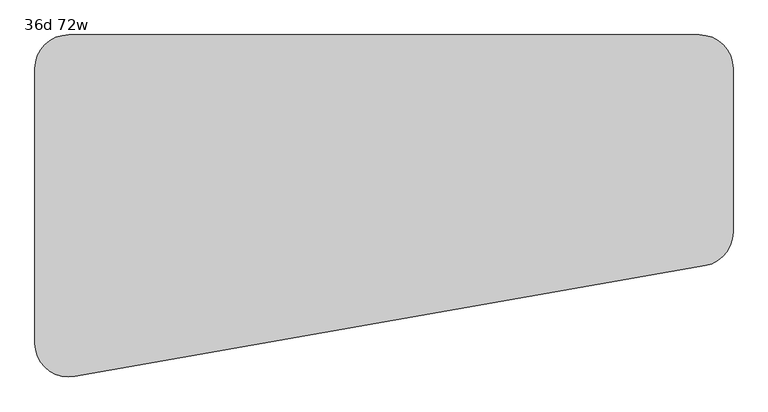
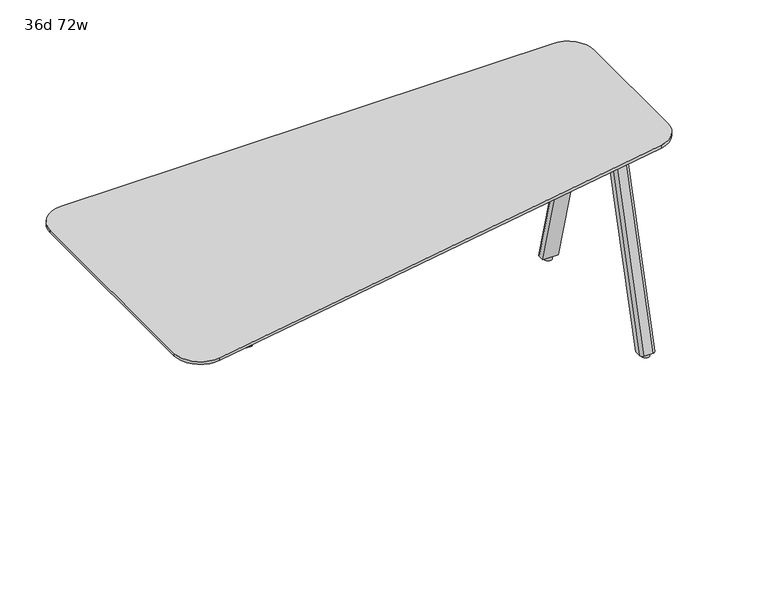
"""IFC4 building model written with IfcOpenShell, lengths in millimetres: furniture geometry, 36d 72w."""

from ifc_helpers import new_model, si_unit, point, frame, frame_2d, origin, origin_with_axes, place, context, project, spatial, polyline, circle_curve, trimmed, segment, composite_curve, outline, extrude, source, transform, mapped, element, save
from ifc_brep_helpers import plane_surface, cylinder_surface, revolved_surface, extruded_surface, advanced_brep


def furniture_36d_72w_5db79cfe(model_context):
    return source(origin(), model_context, "Body", "SolidModel", [
        extrude(outline(composite_curve([segment(trimmed(circle_curve(frame_2d((708.2866241, -141.9174267)), 2.9133759), [point((711.2, -141.9174267))], [point((708.2866241, -144.8308027))], False, "CARTESIAN"), True, "CONTINUOUS"), segment(polyline([(708.2866241, -144.8308027), (549.0057593, -144.8308027)]), True, "CONTINUOUS"), segment(trimmed(circle_curve(frame_2d((549.0057593, -141.9174222)), 2.9133805), [point((549.0057593, -144.8308027))], [point((546.0923788, -141.9174222))], False, "CARTESIAN"), True, "CONTINUOUS"), segment(polyline([(546.0923788, -141.9174222), (546.0923788, -93.388185)]), True, "CONTINUOUS"), segment(trimmed(circle_curve(frame_2d((545.0763787, -93.388185)), 1.0160002), [point((546.0923788, -93.388185))], [point((545.0763787, -92.3721849))], True, "CARTESIAN"), True, "CONTINUOUS"), segment(polyline([(545.0763787, -92.3721849), (516.6283794, -92.3721849)]), True, "CONTINUOUS"), segment(trimmed(circle_curve(frame_2d((516.6283797, -93.388185)), 1.0160002), [point((516.6283794, -92.3721849))], [point((515.6123795, -93.388185))], True, "CARTESIAN"), True, "CONTINUOUS"), segment(polyline([(515.6123795, -93.388185), (515.6123792, -122.2248049), (513.7149992, -122.2248049), (513.7149992, -93.388185)]), True, "CONTINUOUS"), segment(trimmed(circle_curve(frame_2d((516.6283797, -93.388185)), 2.9133805), [point((513.7149992, -93.388185))], [point((516.6283797, -90.4748045))], False, "CARTESIAN"), True, "CONTINUOUS"), segment(polyline([(516.6283797, -90.4748045), (545.0763798, -90.4748045)]), True, "CONTINUOUS"), segment(trimmed(circle_curve(frame_2d((545.0763798, -93.388185)), 2.9133805), [point((545.0763798, -90.4748045))], [point((547.9897603, -93.388185))], False, "CARTESIAN"), True, "CONTINUOUS"), segment(polyline([(547.9897603, -93.388185), (547.9897603, -141.9174267)]), True, "CONTINUOUS"), segment(trimmed(circle_curve(frame_2d((549.0057593, -141.9174267)), 1.015999), [point((547.9897603, -141.9174267))], [point((549.0057593, -142.9334257))], True, "CARTESIAN"), True, "CONTINUOUS"), segment(polyline([(549.0057593, -142.9334257), (708.2866241, -142.9334257)]), True, "CONTINUOUS"), segment(trimmed(circle_curve(frame_2d((708.2866241, -141.9174267)), 1.015999), [point((708.2866241, -142.9334257))], [point((709.3026231, -141.9174267))], True, "CARTESIAN"), True, "CONTINUOUS"), segment(polyline([(709.3026231, -141.9174267), (709.3026231, -65.0748), (711.2, -65.0748), (711.2, -141.9174267)]), True, "CONTINUOUS")], self_intersect=False)), frame((0.0, -314.0610932, 0.0), z_axis=(0.0, 1.0, 0.0), x_axis=(0.0, 0.0, 1.0)), (0.0, 0.0, 1.0), 304.8),
        extrude(outline(composite_curve([segment(polyline([(-319.0748, -314.9678875), (-319.0748, -8.3390657)]), True, "CONTINUOUS"), segment(trimmed(circle_curve(frame_2d((-317.1698109, -8.3390657)), 1.9049891), [point((-319.0748, -8.3390657))], [point((-317.1698109, -6.4340766))], False, "CARTESIAN"), True, "CONTINUOUS"), segment(polyline([(-317.1698109, -6.4340766), (-144.0434052, -6.4340766), (-144.0434052, -316.8728766), (-317.1698109, -316.8728766)]), True, "CONTINUOUS"), segment(trimmed(circle_curve(frame_2d((-317.1698109, -314.9678875)), 1.9049891), [point((-317.1698109, -316.8728766))], [point((-319.0748, -314.9678875))], False, "CARTESIAN"), True, "CONTINUOUS")], self_intersect=False)), frame((0.0, 0.0, 547.0829797), z_axis=(0.0, 0.0, 1.0), x_axis=(1.0, 0.0, 0.0)), (0.0, 0.0, 1.0), 164.1170203),
        extrude(outline(composite_curve([segment(polyline([(1264.8565, 9.7535641), (1156.9065004, 9.7535641)]), True, "CONTINUOUS"), segment(trimmed(circle_curve(frame_2d((1156.9065004, 19.2785641)), 9.525), [point((1156.9065004, 9.7535641))], [point((1147.3815004, 19.2785641))], False, "CARTESIAN"), True, "CONTINUOUS"), segment(polyline([(1147.3815004, 19.2785641), (1147.3815004, 101.9519335)]), True, "CONTINUOUS"), segment(trimmed(circle_curve(frame_2d((1156.9065004, 101.9519335)), 9.525), [point((1147.3815004, 101.9519335))], [point((1156.9065004, 111.4769335))], False, "CARTESIAN"), True, "CONTINUOUS"), segment(polyline([(1156.9065004, 111.4769335), (1264.8565, 111.4769335)]), True, "CONTINUOUS"), segment(trimmed(circle_curve(frame_2d((1264.8565, 101.9519335)), 9.525), [point((1264.8565, 111.4769335))], [point((1274.3815, 101.9519335))], False, "CARTESIAN"), True, "CONTINUOUS"), segment(polyline([(1274.3815, 101.9519335), (1274.3815, 19.2785641)]), True, "CONTINUOUS"), segment(trimmed(circle_curve(frame_2d((1264.8565, 19.2785641)), 9.525), [point((1274.3815, 19.2785641))], [point((1264.8565, 9.7535641))], False, "CARTESIAN"), True, "CONTINUOUS")], self_intersect=False)), frame((0.0, 0.0, 705.2055742), z_axis=(0.0, 0.0, 1.0), x_axis=(1.0, 0.0, 0.0)), (0.0, 0.0, 1.0), 5.9944258),
        advanced_brep(
        [(1258.8875, 104.2527734, 705.2055742), (1227.1375, 104.2527734, 705.2055742), (1217.6125, 94.7277734, 705.2055742), (1217.6125, 74.0902734, 705.2055742), (1268.4125, 74.0902734, 705.2055742), (1268.4125, 94.7277734, 705.2055742), (1258.8875, 290.7410641, 12.7), (1268.4125, 281.2160641, 12.7), (1268.4125, 260.5785641, 12.7), (1217.6125, 260.5785641, 12.7), (1217.6125, 281.2160641, 12.7), (1227.1375, 290.7410641, 12.7)],
        [
            (0, 1),
            (1, 2, circle_curve(frame((1227.1375, 94.7277734, 705.2055742), z_axis=(0.0, 0.0, 1.0), x_axis=(1.0, 0.0, 0.0)), 9.525)),
            (2, 3),
            (3, 4),
            (4, 5),
            (5, 0, circle_curve(frame((1258.8875, 94.7277734, 705.2055742), z_axis=(0.0, 0.0, 1.0), x_axis=(1.0, 0.0, 0.0)), 9.525)),
            (6, 7, circle_curve(frame((1258.8875, 281.2160641, 12.7), z_axis=(0.0, 0.0, -1.0), x_axis=(1.0, 0.0, 0.0)), 9.525)),
            (7, 8),
            (8, 9),
            (9, 10),
            (10, 11, circle_curve(frame((1227.1375, 281.2160641, 12.7), z_axis=(0.0, 0.0, -1.0), x_axis=(1.0, 0.0, 0.0)), 9.525)),
            (11, 6),
            (6, 0),
            (5, 7),
            (4, 8),
            (3, 9),
            (2, 10),
            (1, 11),
        ],
        [
            plane_surface(frame((1243.0125, 91.0236068, 705.2055742), z_axis=(0.0, 0.0, 1.0), x_axis=(-1.0, 0.0, 0.0))),
            plane_surface(frame((1243.0125, 277.5118975, 12.7), z_axis=(0.0, 0.0, -1.0), x_axis=(-1.0, 0.0, 0.0))),
            extruded_surface(trimmed(circle_curve(frame((1258.8875, 94.7277734, 705.2055742), z_axis=(0.0, 0.0, -1.0), x_axis=(1.0, 0.0, 0.0)), 9.525), [point((1258.8875, 104.2527734, 705.2055742))], [point((1268.4125, 94.7277734, 705.2055742))], True, "CARTESIAN"), (0.0, 186.4882907, -692.5055742), 717.1763052878136),
            plane_surface(frame((1268.4125, 270.8973141, 12.7), z_axis=(1.0, 0.0, 0.0), x_axis=(0.0, -1.0, 0.0))),
            plane_surface(frame((1243.0125, 260.5785641, 12.7), z_axis=(0.0, -0.9656001865922422, -0.260031305140414), x_axis=(-1.0, 0.0, 0.0))),
            plane_surface(frame((1217.6125, 270.8973141, 12.7), z_axis=(-1.0, 0.0, 0.0), x_axis=(0.0, 1.0, 0.0))),
            extruded_surface(trimmed(circle_curve(frame((1227.1375, 94.7277734, 705.2055742), z_axis=(0.0, 0.0, -1.0), x_axis=(1.0, 0.0, 0.0)), 9.525), [point((1217.6125, 94.7277734, 705.2055742))], [point((1227.1375, 104.2527734, 705.2055742))], True, "CARTESIAN"), (0.0, 186.4882907, -692.5055742), 717.1763052878136),
            plane_surface(frame((1243.0125, 290.7410641, 12.7), z_axis=(0.0, 0.9656001865922422, 0.260031305140414), x_axis=(1.0, 0.0, 0.0))),
        ],
        [
            (0, [[1, 2, 3, 4, 5, 6]]),
            (1, [[7, 8, 9, 10, 11, 12]]),
            (2, [[13, -6, 14, -7]]),
            (3, [[-14, -5, 15, -8]]),
            (4, [[-15, -4, 16, -9]]),
            (5, [[-16, -3, 17, -10]]),
            (6, [[-17, -2, 18, -11]]),
            (7, [[-18, -1, -13, -12]]),
        ],
    ),
        extrude(outline(composite_curve([segment(trimmed(circle_curve(frame_2d((1243.0125, 274.8660641)), 12.7), [point((1230.3125, 274.8660641))], [point((1255.7125, 274.8660641))], False, "CARTESIAN"), True, "CONTINUOUS"), segment(trimmed(circle_curve(frame_2d((1243.0125, 274.8660641)), 12.7), [point((1255.7125, 274.8660641))], [point((1230.3125, 274.8660641))], False, "CARTESIAN"), True, "CONTINUOUS")], self_intersect=False)), origin_with_axes(), (0.0, 0.0, 1.0), 12.7),
        extrude(outline(composite_curve([segment(trimmed(circle_curve(frame_2d((1264.8565, -37.7855172)), 9.525), [point((1264.8565, -28.2605172))], [point((1274.3815, -37.7855172))], False, "CARTESIAN"), True, "CONTINUOUS"), segment(polyline([(1274.3815, -37.7855172), (1274.3815, -120.4588866)]), True, "CONTINUOUS"), segment(trimmed(circle_curve(frame_2d((1264.8565, -120.4588866)), 9.525), [point((1274.3815, -120.4588866))], [point((1264.8565, -129.9838866))], False, "CARTESIAN"), True, "CONTINUOUS"), segment(polyline([(1264.8565, -129.9838866), (1156.9065004, -129.9838866)]), True, "CONTINUOUS"), segment(trimmed(circle_curve(frame_2d((1156.9065004, -120.4588866)), 9.525), [point((1156.9065004, -129.9838866))], [point((1147.3815004, -120.4588866))], False, "CARTESIAN"), True, "CONTINUOUS"), segment(polyline([(1147.3815004, -120.4588866), (1147.3815004, -37.7855172)]), True, "CONTINUOUS"), segment(trimmed(circle_curve(frame_2d((1156.9065004, -37.7855172)), 9.525), [point((1147.3815004, -37.7855172))], [point((1156.9065004, -28.2605172))], False, "CARTESIAN"), True, "CONTINUOUS"), segment(polyline([(1156.9065004, -28.2605172), (1264.8565, -28.2605172)]), True, "CONTINUOUS")], self_intersect=False)), frame((0.0, 0.0, 705.2055742), z_axis=(0.0, 0.0, 1.0), x_axis=(1.0, 0.0, 0.0)), (0.0, 0.0, 1.0), 5.9944258),
        advanced_brep(
        [(1258.8875, -122.7597266, 705.2055742), (1268.4125, -113.2347266, 705.2055742), (1268.4125, -92.5972266, 705.2055742), (1217.6125, -92.5972266, 705.2055742), (1217.6125, -113.2347266, 705.2055742), (1227.1375, -122.7597266, 705.2055742), (1258.8875, -309.2480172, 12.7), (1227.1375, -309.2480172, 12.7), (1217.6125, -299.7230172, 12.7), (1217.6125, -279.0855172, 12.7), (1268.4125, -279.0855172, 12.7), (1268.4125, -299.7230172, 12.7)],
        [
            (0, 1, circle_curve(frame((1258.8875, -113.2347266, 705.2055742), z_axis=(0.0, 0.0, 1.0), x_axis=(1.0, 0.0, 0.0)), 9.525)),
            (1, 2),
            (2, 3),
            (3, 4),
            (4, 5, circle_curve(frame((1227.1375, -113.2347266, 705.2055742), z_axis=(0.0, 0.0, 1.0), x_axis=(1.0, 0.0, 0.0)), 9.525)),
            (5, 0),
            (6, 7),
            (7, 8, circle_curve(frame((1227.1375, -299.7230172, 12.7), z_axis=(0.0, 0.0, -1.0), x_axis=(1.0, 0.0, 0.0)), 9.525)),
            (8, 9),
            (9, 10),
            (10, 11),
            (11, 6, circle_curve(frame((1258.8875, -299.7230172, 12.7), z_axis=(0.0, 0.0, -1.0), x_axis=(1.0, 0.0, 0.0)), 9.525)),
            (11, 1),
            (0, 6),
            (10, 2),
            (9, 3),
            (8, 4),
            (7, 5),
        ],
        [
            plane_surface(frame((1243.0125, -109.5305599, 705.2055742), z_axis=(0.0, 0.0, 1.0), x_axis=(-1.0, 0.0, 0.0))),
            plane_surface(frame((1243.0125, -296.0188506, 12.7), z_axis=(0.0, 0.0, -1.0), x_axis=(-1.0, 0.0, 0.0))),
            extruded_surface(trimmed(circle_curve(frame((1258.8875, -299.7230172, 12.7), z_axis=(0.0, 0.0, 1.0), x_axis=(1.0, 0.0, 0.0)), 9.525), [point((1258.8875, -309.2480172, 12.7))], [point((1268.4125, -299.7230172, 12.7))], True, "CARTESIAN"), (0.0, 186.48829060000003, 692.5055742), 717.1763052618106),
            plane_surface(frame((1268.4125, -289.4042672, 12.7), z_axis=(1.0, 0.0, 0.0), x_axis=(0.0, 1.0, 0.0))),
            plane_surface(frame((1243.0125, -279.0855172, 12.7), z_axis=(0.0, 0.9656001865922422, -0.260031305140414), x_axis=(-1.0, 0.0, 0.0))),
            plane_surface(frame((1217.6125, -289.4042672, 12.7), z_axis=(-1.0, 0.0, 0.0), x_axis=(0.0, -1.0, 0.0))),
            extruded_surface(trimmed(circle_curve(frame((1227.1375, -299.7230172, 12.7), z_axis=(0.0, 0.0, 1.0), x_axis=(1.0, 0.0, 0.0)), 9.525), [point((1217.6125, -299.7230172, 12.7))], [point((1227.1375, -309.2480172, 12.7))], True, "CARTESIAN"), (0.0, 186.48829060000003, 692.5055742), 717.1763052618106),
            plane_surface(frame((1243.0125, -309.2480172, 12.7), z_axis=(0.0, -0.9656001865922422, 0.260031305140414), x_axis=(1.0, 0.0, 0.0))),
        ],
        [
            (0, [[1, 2, 3, 4, 5, 6]]),
            (1, [[7, 8, 9, 10, 11, 12]]),
            (2, [[-12, 13, -1, 14]]),
            (3, [[-11, 15, -2, -13]]),
            (4, [[-10, 16, -3, -15]]),
            (5, [[-9, 17, -4, -16]]),
            (6, [[-8, 18, -5, -17]]),
            (7, [[-7, -14, -6, -18]]),
        ],
    ),
        extrude(outline(composite_curve([segment(trimmed(circle_curve(frame_2d((1243.0125, -293.3730172)), 12.7), [point((1230.3125, -293.3730172))], [point((1255.7125, -293.3730172))], False, "CARTESIAN"), True, "CONTINUOUS"), segment(trimmed(circle_curve(frame_2d((1243.0125, -293.3730172)), 12.7), [point((1255.7125, -293.3730172))], [point((1230.3125, -293.3730172))], False, "CARTESIAN"), True, "CONTINUOUS")], self_intersect=False)), origin_with_axes(), (0.0, 0.0, 1.0), 12.7),
        advanced_brep(
        [(-469.9, 206.6465234, 741.3625), (-469.9, -512.9065822, 741.3625), (-365.562677, -600.4559914, 741.3625), (1285.437323, -309.3401463, 741.3625), (1358.9, -221.790737, 741.3625), (1358.9, 206.6465234, 741.3625), (1270.0, 295.5465234, 741.3625), (-381.0, 295.5465234, 741.3625), (1308.1, -221.790737, 711.2), (1276.6159956, -259.3119124, 711.2), (-374.3840044, -550.4277576, 711.2), (-419.1, -512.9065822, 711.2), (-419.1, 206.6465234, 711.2), (-381.0, 244.7465234, 711.2), (1270.0, 244.7465234, 711.2), (1308.1, 206.6465234, 711.2), (-469.9, 206.6465234, 731.8375), (-469.9, -512.9065822, 731.8375), (1358.9, -221.790737, 731.8375), (1358.9, 206.6465234, 731.8375), (1270.0, 295.5465234, 731.8375), (-381.0, 295.5465234, 731.8375), (-365.562677, -600.4559914, 731.8375), (1285.437323, -309.3401463, 731.8375)],
        [
            (0, 1),
            (1, 2, circle_curve(frame((-381.0, -512.9065822, 741.3625), z_axis=(0.0, 0.0, 1.0), x_axis=(1.0, 0.0, 0.0)), 88.9)),
            (2, 3),
            (3, 4, circle_curve(frame((1270.0, -221.790737, 741.3625), z_axis=(0.0, 0.0, 1.0), x_axis=(1.0, 0.0, 0.0)), 88.9)),
            (4, 5),
            (5, 6, circle_curve(frame((1270.0, 206.6465234, 741.3625), z_axis=(0.0, 0.0, 1.0), x_axis=(1.0, 0.0, 0.0)), 88.9)),
            (6, 7),
            (7, 0, circle_curve(frame((-381.0, 206.6465234, 741.3625), z_axis=(0.0, 0.0, 1.0), x_axis=(1.0, 0.0, 0.0)), 88.9)),
            (8, 9, circle_curve(frame((1270.0, -221.790737, 711.2), z_axis=(0.0, 0.0, -1.0), x_axis=(0.17364817766692472, -0.984807753012209, 0.0)), 38.1)),
            (9, 10),
            (10, 11, circle_curve(frame((-381.0, -512.9065822, 711.2), z_axis=(0.0, 0.0, -1.0), x_axis=(-1.0, 0.0, 0.0)), 38.1)),
            (11, 12),
            (12, 13, circle_curve(frame((-381.0, 206.6465234, 711.2), z_axis=(0.0, 0.0, -1.0), x_axis=(0.0, 1.0, 0.0)), 38.1)),
            (13, 14),
            (14, 15, circle_curve(frame((1270.0, 206.6465234, 711.2), z_axis=(0.0, 0.0, -1.0), x_axis=(1.0, 0.0, 0.0)), 38.1)),
            (15, 8),
            (0, 16),
            (16, 17),
            (17, 1),
            (4, 18),
            (18, 19),
            (19, 5),
            (6, 20),
            (20, 21),
            (21, 7),
            (19, 20, circle_curve(frame((1270.0, 206.6465234, 731.8375), z_axis=(0.0, 0.0, 1.0), x_axis=(1.0, 0.0, 0.0)), 88.9)),
            (2, 22),
            (22, 23),
            (23, 3),
            (23, 18, circle_curve(frame((1270.0, -221.790737, 731.8375), z_axis=(0.0, 0.0, 1.0), x_axis=(1.0, 0.0, 0.0)), 88.9)),
            (8, 18),
            (23, 9),
            (15, 19),
            (14, 20),
            (13, 21),
            (17, 22, circle_curve(frame((-381.0, -512.9065822, 731.8375), z_axis=(0.0, 0.0, 1.0), x_axis=(1.0, 0.0, 0.0)), 88.9)),
            (21, 16, circle_curve(frame((-381.0, 206.6465234, 731.8375), z_axis=(0.0, 0.0, 1.0), x_axis=(1.0, 0.0, 0.0)), 88.9)),
            (12, 16),
            (11, 17),
            (10, 22),
        ],
        [
            plane_surface(frame((-469.9, -512.9065822, 741.3625), z_axis=(0.0, 0.0, 1.0), x_axis=(0.0, -1.0, 0.0))),
            plane_surface(frame((-469.9, -512.9065822, 711.2), z_axis=(0.0, 0.0, -1.0), x_axis=(0.0, 1.0, 0.0))),
            plane_surface(frame((-469.9, 206.6465234, 741.3625), z_axis=(-1.0, 0.0, 0.0), x_axis=(0.0, 0.0, -1.0))),
            plane_surface(frame((1358.9, -221.790737, 741.3625), z_axis=(1.0, 0.0, 0.0), x_axis=(0.0, 0.0, -1.0))),
            plane_surface(frame((1270.0, 295.5465234, 741.3625), z_axis=(0.0, 1.0, 0.0), x_axis=(0.0, 0.0, -1.0))),
            cylinder_surface(frame((1270.0, 206.6465234, 711.2), z_axis=(0.0, 0.0, 1.0), x_axis=(1.0, 0.0, 0.0)), 88.9),
            plane_surface(frame((-365.562677, -600.4559914, 741.3625), z_axis=(0.1736481776669334, -0.9848077530122076, 0.0), x_axis=(0.0, 0.0, -1.0))),
            cylinder_surface(frame((1270.0, -221.790737, 711.2), z_axis=(0.0, 0.0, 1.0), x_axis=(1.0, 0.0, 0.0)), 88.9),
            revolved_surface(polyline([(1276.6159956, -259.3119124, 711.2), (1285.437323, -309.3401463, 731.8375)]), (1270.0, -221.790737, 741.3625), (0.0, 0.0, 1.0)),
            plane_surface(frame((1358.9, -221.790737, 731.8375), z_axis=(0.37637704695648233, 0.0, -0.9264665771220881), x_axis=(0.0, 1.0, 0.0))),
            revolved_surface(polyline([(1308.1, 206.6465234, 711.2), (1358.9, 206.6465234, 731.8375)]), (1270.0, 206.6465234, 741.3625), (0.0, 0.0, 1.0)),
            plane_surface(frame((1270.0, 295.5465234, 731.8375), z_axis=(0.0, 0.37637704695648233, -0.9264665771220881), x_axis=(-1.0, 0.0, 0.0))),
            cylinder_surface(frame((-381.0, -512.9065822, 711.2), z_axis=(0.0, 0.0, 1.0), x_axis=(1.0, 0.0, 0.0)), 88.9),
            cylinder_surface(frame((-381.0, 206.6465234, 711.2), z_axis=(0.0, 0.0, 1.0), x_axis=(1.0, 0.0, 0.0)), 88.9),
            revolved_surface(polyline([(-381.0, 244.7465234, 711.2), (-381.0, 295.5465234, 731.8375)]), (-381.0, 206.6465234, 741.3625), (0.0, 0.0, 1.0)),
            plane_surface(frame((-469.9, 206.6465234, 731.8375), z_axis=(-0.3763770469564822, 0.0, -0.926466577122088), x_axis=(0.0, -1.0, 0.0))),
            revolved_surface(polyline([(-419.1, -512.9065822, 711.2), (-469.9, -512.9065822, 731.8375)]), (-381.0, -512.9065822, 741.3625), (0.0, 0.0, 1.0)),
            plane_surface(frame((-365.562677, -600.4559914, 731.8375), z_axis=(0.06535718831965498, -0.3706590338985834, -0.9264665771220881), x_axis=(0.9848077530122076, 0.17364817766693344, 0.0))),
        ],
        [
            (0, [[1, 2, 3, 4, 5, 6, 7, 8]]),
            (1, [[9, 10, 11, 12, 13, 14, 15, 16]]),
            (2, [[-1, 17, 18, 19]]),
            (3, [[-5, 20, 21, 22]]),
            (4, [[-7, 23, 24, 25]]),
            (5, [[-6, -22, 26, -23]]),
            (6, [[-3, 27, 28, 29]]),
            (7, [[-4, -29, 30, -20]]),
            (8, [[31, -30, 32, -9]]),
            (9, [[-31, -16, 33, -21]]),
            (10, [[-33, -15, 34, -26]]),
            (11, [[-34, -14, 35, -24]]),
            (12, [[-2, -19, 36, -27]]),
            (13, [[-8, -25, 37, -17]]),
            (14, [[-35, -13, 38, -37]]),
            (15, [[-38, -12, 39, -18]]),
            (16, [[-39, -11, 40, -36]]),
            (17, [[-32, -28, -40, -10]]),
        ],
    ),
    ])


if __name__ == "__main__":
    model = new_model("IFC4")
    model_context = context("Model", 3, world=origin())
    ifc_project = project(units=[si_unit("LENGTHUNIT", "METRE", prefix="MILLI")], contexts=[model_context])
    site = spatial("IfcSite", under=ifc_project)
    building = spatial("IfcBuilding", under=site)
    placement = place(None, origin())
    furniture_36d_72w_shape = furniture_36d_72w_5db79cfe(model_context)
    element("IfcFurniture", 1, ObjectType="36d 72w", at=placement, inside=building, context=model_context, shape_type="MappedRepresentation", body=[
        mapped(furniture_36d_72w_shape, transform((0.0, 0.0, 0.0), x_axis=(1.0, 0.0, 0.0), y_axis=(0.0, 1.0, 0.0), z_axis=(0.0, 0.0, 1.0))),
    ])
    save(model, "model.ifc")
